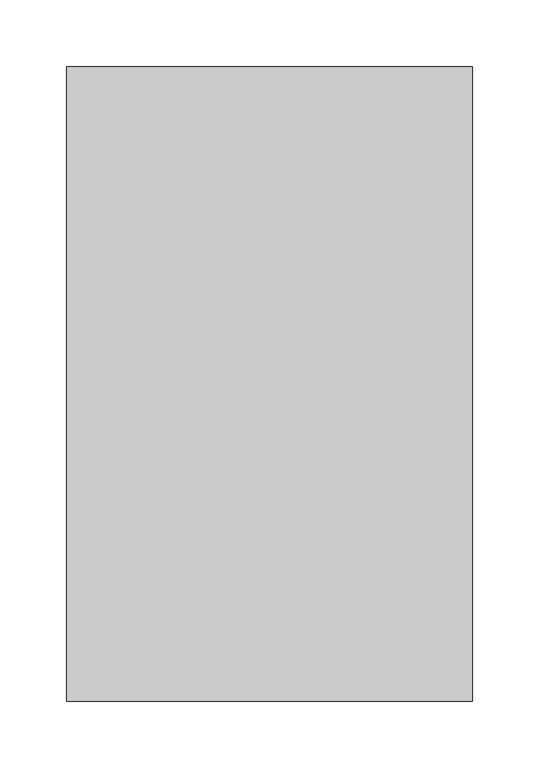
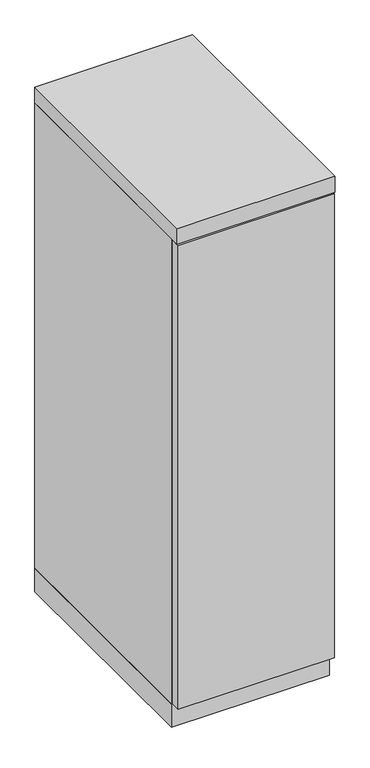
"""IFC4 building model written with IfcOpenShell, lengths in millimetres: furniture geometry."""

import ifcopenshell
import ifcopenshell.guid

model = None  # the IFC model being written
_history = None  # IfcOwnerHistory: only IFC2X3 demands one
_inside = {}  # id of a spatial element -> (the spatial element, [elements in it])
_under = {}  # id of a project, library or spatial element -> (it, [spatial elements below it])
_declared = {}  # id of a project -> (the project, [libraries it declares])
_typed = {}  # id of a type object -> (the type object, [elements of that type])
_made_of = {}  # id of a material, layer set ... -> (it, [elements and type objects made of it])


def new_model(schema):
    """Start an empty IFC model of exactly this schema.

    Asked for "IFC4X3", IfcOpenShell would pick the latest addendum, in which some entities
    have other attributes; the version numbers below select the first issue.
    IFC2X3 requires an IfcOwnerHistory on every rooted entity: one is made here for all.
    """
    global model, _history
    if schema == "IFC4X3":
        model = ifcopenshell.file(schema_version=(4, 3, 0, 0))
    else:
        model = ifcopenshell.file(schema=schema)
    _inside.clear()
    _under.clear()
    _declared.clear()
    _typed.clear()
    _made_of.clear()
    _history = None
    if model.schema == "IFC2X3":
        org = make("IfcOrganization", Name="unknown")
        user = make(
            "IfcPersonAndOrganization",
            ThePerson=make("IfcPerson", FamilyName="unknown"),
            TheOrganization=org,
        )
        app = make(
            "IfcApplication",
            ApplicationDeveloper=org,
            Version="unknown",
            ApplicationFullName="unknown",
            ApplicationIdentifier="unknown",
        )
        _history = make(
            "IfcOwnerHistory",
            OwningUser=user,
            OwningApplication=app,
            ChangeAction="ADDED",
            CreationDate=0,
        )
    return model


def make(cls, **values):
    """One entity of the class cls with the attributes given. An attribute that is None is left unset."""
    return model.create_entity(
        cls, **{name: value for name, value in values.items() if value is not None}
    )


def rooted(cls, **values):
    """An entity with a GlobalId (a new one), such as an element, a storey or a relation."""
    return make(cls, GlobalId=ifcopenshell.guid.new(), OwnerHistory=_history, **values)


def si_unit(unit_type, name, prefix=None):
    """IfcSIUnit, for example si_unit("LENGTHUNIT", "METRE", prefix="MILLI")."""
    return make("IfcSIUnit", UnitType=unit_type, Prefix=prefix, Name=name)


def assignment(units):
    """IfcUnitAssignment: the units of a project."""
    return None if units is None else make("IfcUnitAssignment", Units=units)


def point(xyz):
    """IfcCartesianPoint."""
    return None if xyz is None else make("IfcCartesianPoint", Coordinates=xyz)


def direction(xyz):
    """IfcDirection."""
    return None if xyz is None else make("IfcDirection", DirectionRatios=xyz)


def frame(location, z_axis=None, x_axis=None):
    """IfcAxis2Placement3D, a coordinate frame: its origin and axes. An axis left out is left unset."""
    return make(
        "IfcAxis2Placement3D",
        Location=point(location),
        Axis=direction(z_axis),
        RefDirection=direction(x_axis),
    )


def origin():
    """The frame at (0, 0, 0) with its axes left unset."""
    return frame((0.0, 0.0, 0.0))


def origin_with_axes():
    """The frame at (0, 0, 0) with the z axis (0, 0, 1) and the x axis (1, 0, 0) written out."""
    return frame((0.0, 0.0, 0.0), z_axis=(0.0, 0.0, 1.0), x_axis=(1.0, 0.0, 0.0))


def place(relative_to, where):
    """IfcLocalPlacement: puts the frame where relative to a parent placement (None: the world)."""
    return make(
        "IfcLocalPlacement", PlacementRelTo=relative_to, RelativePlacement=where
    )


def context(
    kind, dimensions, precision=None, world=None, true_north=None, identifier=None
):
    """IfcGeometricRepresentationContext, for example the 3D "Model" context."""
    return make(
        "IfcGeometricRepresentationContext",
        ContextIdentifier=identifier,
        ContextType=kind,
        CoordinateSpaceDimension=dimensions,
        Precision=precision,
        WorldCoordinateSystem=world,
        TrueNorth=true_north,
    )


def project(units=None, contexts=None):
    """IfcProject with its units and contexts."""
    return rooted(
        "IfcProject",
        Name="project",
        RepresentationContexts=contexts,
        UnitsInContext=assignment(units),
    )


def spatial(cls, under=None, at=None, **own):
    """A site, building, storey or space (cls), placed at a placement, below another one or the project."""
    s = rooted(cls, ObjectPlacement=at, **own)
    if under is not None:
        _under.setdefault(under.id(), (under, []))[1].append(s)
    return s


def polyline(points):
    """IfcPolyline through the points."""
    return make("IfcPolyline", Points=[point(p) for p in points])


def outline(outer, holes=None, kind="AREA"):
    """IfcArbitraryClosedProfileDef: a profile drawn as a closed curve; with holes, ...WithVoids."""
    if holes is None:
        return make("IfcArbitraryClosedProfileDef", ProfileType=kind, OuterCurve=outer)
    return make(
        "IfcArbitraryProfileDefWithVoids",
        ProfileType=kind,
        OuterCurve=outer,
        InnerCurves=holes,
    )


def extrude(swept, where, along, depth):
    """IfcExtrudedAreaSolid: the profile swept, set in the frame where, extruded along a direction by depth."""
    return make(
        "IfcExtrudedAreaSolid",
        SweptArea=swept,
        Position=where,
        ExtrudedDirection=direction(along),
        Depth=depth,
    )


def shape(context_of_items, identifier, shape_type, items):
    """IfcShapeRepresentation: the items that make up one representation, for example the "Body"."""
    return make(
        "IfcShapeRepresentation",
        ContextOfItems=context_of_items,
        RepresentationIdentifier=identifier,
        RepresentationType=shape_type,
        Items=items,
    )


def source(mapping_origin, context_of_items, identifier, shape_type, items):
    """IfcRepresentationMap: a shape defined once, which mapped items show again and again."""
    return make(
        "IfcRepresentationMap",
        MappingOrigin=mapping_origin,
        MappedRepresentation=shape(context_of_items, identifier, shape_type, items),
    )


def transform(
    local_origin,
    x_axis=None,
    y_axis=None,
    z_axis=None,
    scale=None,
    scale2=None,
    scale3=None,
    uniform=True,
):
    """IfcCartesianTransformationOperator3D, or its non-uniform kind. x_axis, y_axis, z_axis: its Axis1, 2, 3."""
    if uniform:
        return make(
            "IfcCartesianTransformationOperator3D",
            Axis1=direction(x_axis),
            Axis2=direction(y_axis),
            LocalOrigin=point(local_origin),
            Scale=scale,
            Axis3=direction(z_axis),
        )
    return make(
        "IfcCartesianTransformationOperator3DnonUniform",
        Axis1=direction(x_axis),
        Axis2=direction(y_axis),
        LocalOrigin=point(local_origin),
        Scale=scale,
        Axis3=direction(z_axis),
        Scale2=scale2,
        Scale3=scale3,
    )


def mapped(mapping_source, mapping_target):
    """IfcMappedItem: shows the shape of a source again, moved by a transform."""
    return make(
        "IfcMappedItem", MappingSource=mapping_source, MappingTarget=mapping_target
    )


def made_of(thing, what):
    """Note that an element or type object is made of a material, layer set ...; save() writes the relation."""
    if what is not None:
        _made_of.setdefault(what.id(), (what, []))[1].append(thing)
    return thing


def element(
    cls,
    number,
    at=None,
    inside=None,
    cuts=None,
    type_object=None,
    material=None,
    context=None,
    identifier="Body",
    shape_type=None,
    held_by="IfcProductDefinitionShape",
    body=None,
    shapes=None,
    **own,
):
    """One element of the class cls, such as IfcWall. Its Tag is "e" and its number.

    at: its placement. inside: the storey or other place that contains it. cuts: it is an
    opening in that element (IfcRelVoidsElement). A single representation is given by context,
    identifier, shape_type and body (its items); several are given by shapes. held_by: the class
    of the entity that holds the representations. save() writes the other relations.
    """
    e = rooted(cls, Tag="e%d" % number, ObjectPlacement=at, **own)
    if body is not None:
        shapes = [shape(context, identifier, shape_type, body)]
    if shapes is not None:
        e.Representation = make(held_by, Representations=shapes)
    if inside is not None:
        _inside.setdefault(inside.id(), (inside, []))[1].append(e)
    if cuts is not None:
        rooted(
            "IfcRelVoidsElement", RelatingBuildingElement=cuts, RelatedOpeningElement=e
        )
    if type_object is not None:
        _typed.setdefault(type_object.id(), (type_object, []))[1].append(e)
    return made_of(e, material)


def aggregate(whole, parts):
    """IfcRelAggregates: a whole, such as a stair, and the parts it consists of."""
    return rooted("IfcRelAggregates", RelatingObject=whole, RelatedObjects=parts)


def save(model, path):
    """Write the relations noted so far, then the file.

    IfcRelAggregates (storeys below a building ...), IfcRelContainedInSpatialStructure (elements
    in a storey), IfcRelDefinesByType, IfcRelAssociatesMaterial and IfcRelDeclares: one each for
    every whole, place, type object, material and project.
    """
    for whole, parts in _under.values():
        aggregate(whole, parts)
    for where, things in _inside.values():
        rooted(
            "IfcRelContainedInSpatialStructure",
            RelatedElements=things,
            RelatingStructure=where,
        )
    for kind, things in _typed.values():
        rooted("IfcRelDefinesByType", RelatedObjects=things, RelatingType=kind)
    for what, things in _made_of.values():
        rooted("IfcRelAssociatesMaterial", RelatedObjects=things, RelatingMaterial=what)
    for by, libraries in _declared.values():
        rooted("IfcRelDeclares", RelatingContext=by, RelatedDefinitions=libraries)
    model.write(path)


def furniture_7a665774(model_context):
    return source(origin(), model_context, "Body", "SweptSolid", [
        extrude(outline(polyline([(150.8125, -476.25), (-150.8125, -476.25), (-150.8125, -457.2), (150.8125, -457.2), (150.8125, -476.25)])), frame((0.0, 0.0, 47.625), z_axis=(0.0, 0.0, 1.0), x_axis=(1.0, 0.0, 0.0)), (0.0, 0.0, 1.0), 946.15),
        extrude(outline(polyline([(152.4, 0.0), (152.4, -457.2), (-152.4, -457.2), (-152.4, 0.0), (152.4, 0.0)])), origin_with_axes(), (0.0, 0.0, 1.0), 47.625),
        extrude(outline(polyline([(152.4, 0.0), (152.4, -476.25), (-152.4, -476.25), (-152.4, 0.0), (152.4, 0.0)])), frame((0.0, 0.0, 996.95), z_axis=(0.0, 0.0, 1.0), x_axis=(1.0, 0.0, 0.0)), (0.0, 0.0, 1.0), 31.75),
        extrude(outline(polyline([(152.4, 0.0), (152.4, -457.2), (133.35, -457.2), (133.35, -19.05), (-133.35, -19.05), (-133.35, -457.2), (-152.4, -457.2), (-152.4, 0.0), (152.4, 0.0)])), frame((0.0, 0.0, 47.625), z_axis=(0.0, 0.0, 1.0), x_axis=(1.0, 0.0, 0.0)), (0.0, 0.0, 1.0), 949.325),
    ])


if __name__ == "__main__":
    model = new_model("IFC4")
    model_context = context("Model", 3, world=origin())
    ifc_project = project(units=[si_unit("LENGTHUNIT", "METRE", prefix="MILLI")], contexts=[model_context])
    site = spatial("IfcSite", under=ifc_project)
    building = spatial("IfcBuilding", under=site)
    placement = place(None, origin())
    furniture_shape = furniture_7a665774(model_context)
    element("IfcFurniture", 1, at=placement, inside=building, context=model_context, shape_type="MappedRepresentation", body=[
        mapped(furniture_shape, transform((0.0, 0.0, 0.0), x_axis=(1.0, 0.0, 0.0), y_axis=(0.0, 1.0, 0.0), z_axis=(0.0, 0.0, 1.0))),
    ])
    save(model, "model.ifc")
